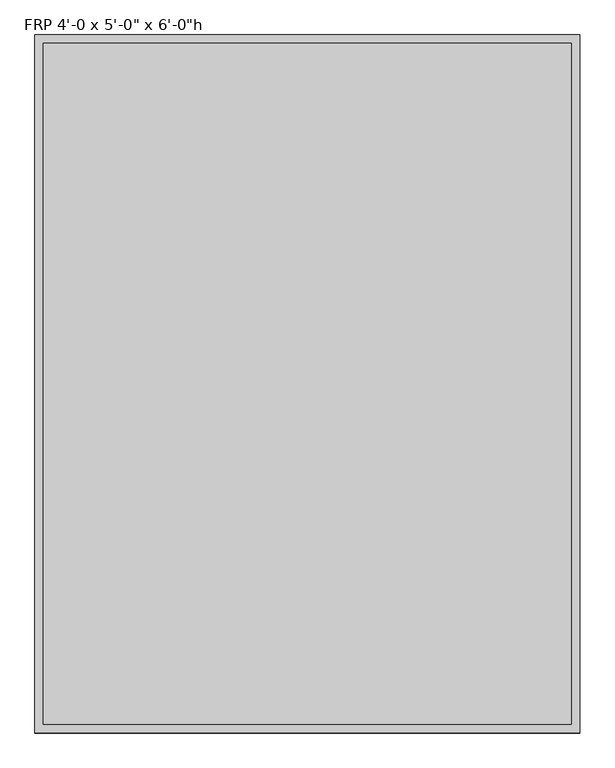
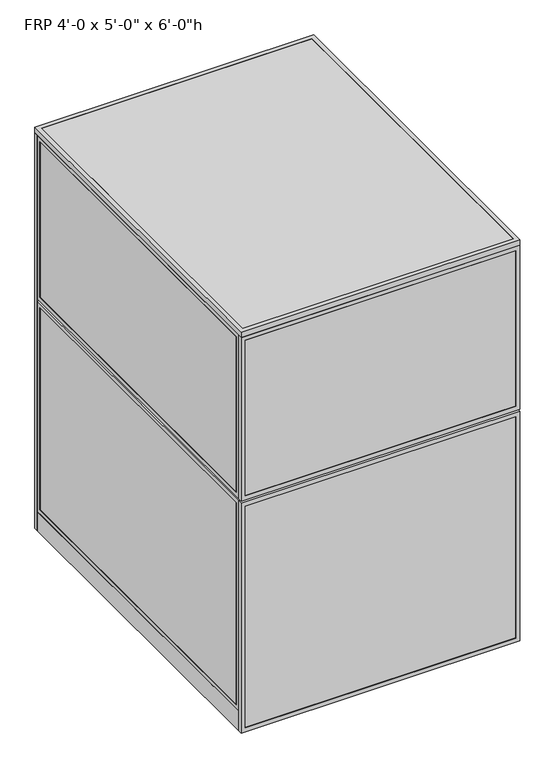
"""IFC4 building model written with IfcOpenShell, lengths in millimetres: proxy geometry."""

from ifc_helpers import new_model, si_unit, frame, origin, origin_with_axes, place, context, project, spatial, polyline, outline, extrude, source, transform, mapped, element, save


def proxy_c886a57a(model_context):
    return source(origin(), model_context, "Body", "SweptSolid", [
        extrude(outline(polyline([(0.0, 0.0), (0.0, 914.4), (1828.8, 914.4), (1828.8, 0.0), (0.0, 0.0)]), holes=[polyline([(819.15, 19.05), (819.15, 895.35), (19.05, 895.35), (19.05, 19.05), (819.15, 19.05)]), polyline([(857.25, 895.35), (857.25, 19.05), (1809.75, 19.05), (1809.75, 895.35), (857.25, 895.35)])]), frame((0.0, 1524.0, 0.0), z_axis=(0.0, 1.0, 0.0), x_axis=(0.0, 0.0, 1.0)), (0.0, 0.0, 1.0), 19.05),
        extrude(outline(polyline([(60.3189838, 1541.4625), (854.0810162, 1541.4625), (854.0810162, 1525.5875), (60.3189838, 1525.5875), (60.3189838, 1541.4625)])), frame((0.0, 0.0, 60.325), z_axis=(0.0, 0.0, 1.0), x_axis=(1.0, 0.0, 0.0)), (0.0, 0.0, 1.0), 717.55),
        extrude(outline(polyline([(879.475, 41.2689838), (879.475, 873.1310162), (1787.525, 873.1310162), (1787.525, 41.2689838), (879.475, 41.2689838)]), holes=[polyline([(1768.475, 854.0810162), (898.525, 854.0810162), (898.525, 60.3189838), (1768.475, 60.3189838), (1768.475, 854.0810162)])]), frame((0.0, 1524.0, 0.0), z_axis=(0.0, 1.0, 0.0), x_axis=(0.0, 0.0, 1.0)), (0.0, 0.0, 1.0), 19.05),
        extrude(outline(polyline([(41.275, 41.2689838), (41.275, 873.1310162), (796.925, 873.1310162), (796.925, 41.2689838), (41.275, 41.2689838)]), holes=[polyline([(777.875, 854.0810162), (60.325, 854.0810162), (60.325, 60.3189838), (777.875, 60.3189838), (777.875, 854.0810162)])]), frame((0.0, 1524.0, 0.0), z_axis=(0.0, 1.0, 0.0), x_axis=(0.0, 0.0, 1.0)), (0.0, 0.0, 1.0), 19.05),
        extrude(outline(polyline([(60.3189838, 1541.4625), (854.0810162, 1541.4625), (854.0810162, 1525.5875), (60.3189838, 1525.5875), (60.3189838, 1541.4625)])), frame((0.0, 0.0, 898.525), z_axis=(0.0, 0.0, 1.0), x_axis=(1.0, 0.0, 0.0)), (0.0, 0.0, 1.0), 869.95),
        extrude(outline(polyline([(933.45, 1541.4625), (1200.15, 1541.4625), (1200.15, 1525.5875), (933.45, 1525.5875), (933.45, 1541.4625)])), frame((0.0, 0.0, 19.05), z_axis=(0.0, 0.0, 1.0), x_axis=(1.0, 0.0, 0.0)), (0.0, 0.0, 1.0), 800.1),
        extrude(outline(polyline([(933.45, 1541.4625), (1200.15, 1541.4625), (1200.15, 1525.5875), (933.45, 1525.5875), (933.45, 1541.4625)])), frame((0.0, 0.0, 857.25), z_axis=(0.0, 0.0, 1.0), x_axis=(1.0, 0.0, 0.0)), (0.0, 0.0, 1.0), 952.5),
        extrude(outline(polyline([(1828.8, 1219.2), (1828.8, 914.4), (0.0, 914.4), (0.0, 1219.2), (1828.8, 1219.2)]), holes=[polyline([(819.15, 1200.15), (19.05, 1200.15), (19.05, 933.45), (819.15, 933.45), (819.15, 1200.15)]), polyline([(857.25, 1200.15), (857.25, 933.45), (1809.75, 933.45), (1809.75, 1200.15), (857.25, 1200.15)])]), frame((0.0, 1524.0, 0.0), z_axis=(0.0, 1.0, 0.0), x_axis=(0.0, 0.0, 1.0)), (0.0, 0.0, 1.0), 19.05),
        extrude(outline(polyline([(1062.0375, 1219.2), (1062.0375, 0.0), (0.0, 0.0), (0.0, 1219.2), (1062.0375, 1219.2)]), holes=[polyline([(19.05, 1200.15), (19.05, 19.05), (1042.9875, 19.05), (1042.9875, 1200.15), (19.05, 1200.15)])]), frame((0.0, -19.05, 0.0), z_axis=(0.0, 1.0, 0.0), x_axis=(0.0, 0.0, 1.0)), (0.0, 0.0, 1.0), 19.05),
        extrude(outline(polyline([(1071.5625, 1219.2), (1828.8, 1219.2), (1828.8, 0.0), (1071.5625, 0.0), (1071.5625, 1219.2)]), holes=[polyline([(1809.75, 1200.15), (1090.6125, 1200.15), (1090.6125, 19.05), (1809.75, 19.05), (1809.75, 1200.15)])]), frame((0.0, -19.05, 0.0), z_axis=(0.0, 1.0, 0.0), x_axis=(0.0, 0.0, 1.0)), (0.0, 0.0, 1.0), 19.05),
        extrude(outline(polyline([(1200.15, -17.4625), (19.05, -17.4625), (19.05, -1.5875), (1200.15, -1.5875), (1200.15, -17.4625)])), frame((0.0, 0.0, 19.05), z_axis=(0.0, 0.0, 1.0), x_axis=(1.0, 0.0, 0.0)), (0.0, 0.0, 1.0), 1023.9375),
        extrude(outline(polyline([(1200.15, -17.4625), (19.05, -17.4625), (19.05, -1.5875), (1200.15, -1.5875), (1200.15, -17.4625)])), frame((0.0, 0.0, 1090.6125), z_axis=(0.0, 0.0, 1.0), x_axis=(1.0, 0.0, 0.0)), (0.0, 0.0, 1.0), 719.1375),
        extrude(outline(polyline([(1200.15, 0.0), (1200.15, 1524.0), (1219.2, 1524.0), (1219.2, 0.0), (1200.15, 0.0)])), origin_with_axes(), (0.0, 0.0, 1.0), 88.9),
        extrude(outline(polyline([(1524.0, 88.9), (0.0, 88.9), (0.0, 1062.0375), (1524.0, 1062.0375), (1524.0, 88.9)]), holes=[polyline([(1504.95, 1042.9875), (19.05, 1042.9875), (19.05, 107.95), (1504.95, 107.95), (1504.95, 1042.9875)])]), frame((1200.15, 0.0, 0.0), z_axis=(1.0, 0.0, 0.0), x_axis=(0.0, 1.0, 0.0)), (0.0, 0.0, 1.0), 19.05),
        extrude(outline(polyline([(0.0, 1071.5625), (0.0, 1828.8), (1524.0, 1828.8), (1524.0, 1071.5625), (0.0, 1071.5625)]), holes=[polyline([(19.05, 1809.75), (19.05, 1090.6125), (1504.95, 1090.6125), (1504.95, 1809.75), (19.05, 1809.75)])]), frame((1200.15, 0.0, 0.0), z_axis=(1.0, 0.0, 0.0), x_axis=(0.0, 1.0, 0.0)), (0.0, 0.0, 1.0), 19.05),
        extrude(outline(polyline([(1201.7375, 19.05), (1201.7375, 1504.95), (1217.6125, 1504.95), (1217.6125, 19.05), (1201.7375, 19.05)])), frame((0.0, 0.0, 107.95), z_axis=(0.0, 0.0, 1.0), x_axis=(1.0, 0.0, 0.0)), (0.0, 0.0, 1.0), 935.0375),
        extrude(outline(polyline([(1201.7375, 19.05), (1201.7375, 1504.95), (1217.6125, 1504.95), (1217.6125, 19.05), (1201.7375, 19.05)])), frame((0.0, 0.0, 1090.6125), z_axis=(0.0, 0.0, 1.0), x_axis=(1.0, 0.0, 0.0)), (0.0, 0.0, 1.0), 719.1375),
        extrude(outline(polyline([(0.0, 0.0), (0.0, 1524.0), (19.05, 1524.0), (19.05, 0.0), (0.0, 0.0)])), origin_with_axes(), (0.0, 0.0, 1.0), 88.9),
        extrude(outline(polyline([(1524.0, 88.9), (0.0, 88.9), (0.0, 1062.0375), (1524.0, 1062.0375), (1524.0, 88.9)]), holes=[polyline([(1504.95, 1042.9875), (19.05, 1042.9875), (19.05, 107.95), (1504.95, 107.95), (1504.95, 1042.9875)])]), frame((0.0, 0.0, 0.0), z_axis=(1.0, 0.0, 0.0), x_axis=(0.0, 1.0, 0.0)), (0.0, 0.0, 1.0), 19.05),
        extrude(outline(polyline([(0.0, 1071.5625), (0.0, 1828.8), (1524.0, 1828.8), (1524.0, 1071.5625), (0.0, 1071.5625)]), holes=[polyline([(19.05, 1809.75), (19.05, 1090.6125), (1504.95, 1090.6125), (1504.95, 1809.75), (19.05, 1809.75)])]), frame((0.0, 0.0, 0.0), z_axis=(1.0, 0.0, 0.0), x_axis=(0.0, 1.0, 0.0)), (0.0, 0.0, 1.0), 19.05),
        extrude(outline(polyline([(1.5875, 19.05), (1.5875, 1504.95), (17.4625, 1504.95), (17.4625, 19.05), (1.5875, 19.05)])), frame((0.0, 0.0, 107.95), z_axis=(0.0, 0.0, 1.0), x_axis=(1.0, 0.0, 0.0)), (0.0, 0.0, 1.0), 935.0375),
        extrude(outline(polyline([(1.5875, 19.05), (1.5875, 1504.95), (17.4625, 1504.95), (17.4625, 19.05), (1.5875, 19.05)])), frame((0.0, 0.0, 1090.6125), z_axis=(0.0, 0.0, 1.0), x_axis=(1.0, 0.0, 0.0)), (0.0, 0.0, 1.0), 719.1375),
        extrude(outline(polyline([(1187.45, 622.3), (1187.45, 609.6), (31.75, 609.6), (31.75, 622.3), (1187.45, 622.3)])), origin_with_axes(), (0.0, 0.0, 1.0), 152.4),
        extrude(outline(polyline([(1187.45, 622.3), (1187.45, 12.7), (31.75, 12.7), (31.75, 622.3), (1187.45, 622.3)])), frame((0.0, 0.0, 152.4), z_axis=(0.0, 0.0, 1.0), x_axis=(1.0, 0.0, 0.0)), (0.0, 0.0, 1.0), 12.7),
        extrude(outline(polyline([(1219.2, 1543.05), (1219.2, -19.05), (0.0, -19.05), (0.0, 1543.05), (1219.2, 1543.05)]), holes=[polyline([(1200.15, 1524.0), (19.05, 1524.0), (19.05, 0.0), (1200.15, 0.0), (1200.15, 1524.0)])]), frame((0.0, 0.0, 1828.8), z_axis=(0.0, 0.0, 1.0), x_axis=(1.0, 0.0, 0.0)), (0.0, 0.0, 1.0), 25.4),
        extrude(outline(polyline([(19.05, 1524.0), (1200.15, 1524.0), (1200.15, 0.0), (19.05, 0.0), (19.05, 1524.0)])), frame((0.0, 0.0, 1828.8), z_axis=(0.0, 0.0, 1.0), x_axis=(1.0, 0.0, 0.0)), (0.0, 0.0, 1.0), 25.4),
    ])


if __name__ == "__main__":
    model = new_model("IFC4")
    model_context = context("Model", 3, world=origin())
    ifc_project = project(units=[si_unit("LENGTHUNIT", "METRE", prefix="MILLI")], contexts=[model_context])
    site = spatial("IfcSite", under=ifc_project)
    building = spatial("IfcBuilding", under=site)
    placement = place(None, origin())
    proxy_shape = proxy_c886a57a(model_context)
    element("IfcBuildingElementProxy", 1, Name="FRP 4'-0 x 5'-0\" x 6'-0\"h", ObjectType="FRP 4'-0 x 5'-0\" x 6'-0\"h", at=placement, inside=building, context=model_context, shape_type="MappedRepresentation", body=[
        mapped(proxy_shape, transform((0.0, 0.0, 0.0), x_axis=(1.0, 0.0, 0.0), y_axis=(0.0, 1.0, 0.0), z_axis=(0.0, 0.0, 1.0))),
    ])
    save(model, "model.ifc")
